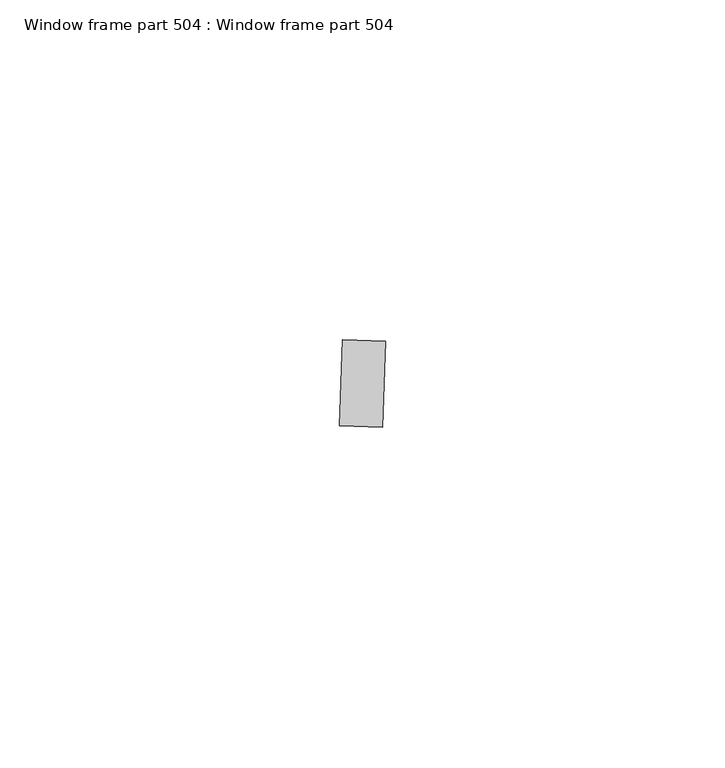
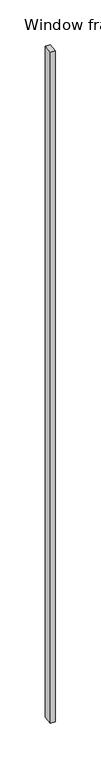
"""IFC4 building model written with IfcOpenShell, lengths in millimetres: proxy geometry, Window frame part 504 : Window frame part 504."""

from ifc_helpers import new_model, si_unit, frame, origin, place, context, project, spatial, polyline, outline, extrude, source, transform, mapped, element, save


def window_frame_part_504_window_frame_part_504_09856e81(model_context):
    return source(origin(), model_context, "Body", "SweptSolid", [
        extrude(outline(polyline([(32759.8628911, -15431.8356307), (32753.5164088, -15431.6242955), (32753.9390791, -15418.9313309), (32760.2855614, -15419.1426661), (32759.8628911, -15431.8356307)])), frame((0.0, 0.0, 1597.975708), z_axis=(0.0, 0.0, 1.0), x_axis=(1.0, 0.0, 0.0)), (0.0, 0.0, 1.0), 914.4),
    ])


if __name__ == "__main__":
    model = new_model("IFC4")
    model_context = context("Model", 3, world=origin())
    ifc_project = project(units=[si_unit("LENGTHUNIT", "METRE", prefix="MILLI")], contexts=[model_context])
    site = spatial("IfcSite", under=ifc_project)
    building = spatial("IfcBuilding", under=site)
    placement = place(None, origin())
    window_frame_part_504_window_frame_part_504_shape = window_frame_part_504_window_frame_part_504_09856e81(model_context)
    element("IfcBuildingElementProxy", 1, Name="Window frame part 504 : Window frame part 504", ObjectType="Window frame part 504 : Window frame part 504", at=placement, inside=building, context=model_context, shape_type="MappedRepresentation", body=[
        mapped(window_frame_part_504_window_frame_part_504_shape, transform((0.0, 0.0, 0.0), x_axis=(1.0, 0.0, 0.0), y_axis=(0.0, 1.0, 0.0), z_axis=(0.0, 0.0, 1.0))),
    ])
    save(model, "model.ifc")
